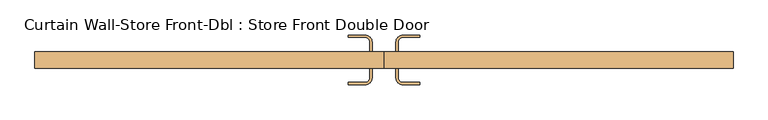
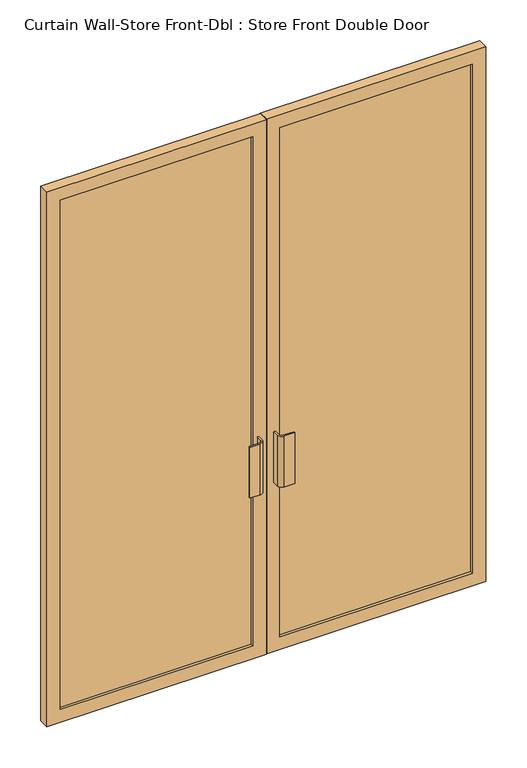
"""IFC4 building model written with IfcOpenShell, lengths in millimetres: door geometry, Curtain Wall-Store Front-Dbl : Store Front Double Door."""

from ifc_helpers import new_model, si_unit, point, frame, frame_2d, origin, place, context, project, spatial, polyline, circle_curve, trimmed, segment, composite_curve, outline, extrude, source, transform, mapped, element, save


def curtain_wall_store_front_dbl_store_front_double_door_1958645c(model_context):
    return source(origin(), model_context, "Body", "SweptSolid", [
        extrude(outline(composite_curve([segment(polyline([(-31.75, 12.7), (-31.75, -12.7), (-38.1, -12.7), (-38.1, 12.7)]), True, "CONTINUOUS"), segment(trimmed(circle_curve(frame_2d((-50.8, 12.7)), 12.7), [point((-38.1, 12.7))], [point((-50.8, 25.4))], True, "CARTESIAN"), True, "CONTINUOUS"), segment(polyline([(-50.8, 25.4), (-95.25, 25.4), (-95.25, 31.75), (-50.8, 31.75)]), True, "CONTINUOUS"), segment(trimmed(circle_curve(frame_2d((-50.8, 12.7)), 19.05), [point((-50.8, 31.75))], [point((-31.75, 12.7))], False, "CARTESIAN"), True, "CONTINUOUS")], self_intersect=False)), frame((0.0, 0.0, 762.0), z_axis=(0.0, 0.0, 1.0), x_axis=(1.0, 0.0, 0.0)), (0.0, 0.0, 1.0), 228.6),
        extrude(outline(composite_curve([segment(trimmed(circle_curve(frame_2d((50.8, 12.7)), 19.05), [point((31.75, 12.7))], [point((50.8, 31.75))], False, "CARTESIAN"), True, "CONTINUOUS"), segment(polyline([(50.8, 31.75), (95.25, 31.75), (95.25, 25.4), (50.8, 25.4)]), True, "CONTINUOUS"), segment(trimmed(circle_curve(frame_2d((50.8, 12.7)), 12.7), [point((50.8, 25.4))], [point((38.1, 12.7))], True, "CARTESIAN"), True, "CONTINUOUS"), segment(polyline([(38.1, 12.7), (38.1, -12.7), (31.75, -12.7), (31.75, 12.7)]), True, "CONTINUOUS")], self_intersect=False)), frame((0.0, 0.0, 762.0), z_axis=(0.0, 0.0, 1.0), x_axis=(1.0, 0.0, 0.0)), (0.0, 0.0, 1.0), 228.6),
        extrude(outline(composite_curve([segment(trimmed(circle_curve(frame_2d((-50.8, -82.55)), 19.05), [point((-31.75, -82.55))], [point((-50.8, -101.6))], False, "CARTESIAN"), True, "CONTINUOUS"), segment(polyline([(-50.8, -101.6), (-95.25, -101.6), (-95.25, -95.25), (-50.8, -95.25)]), True, "CONTINUOUS"), segment(trimmed(circle_curve(frame_2d((-50.8, -82.55)), 12.7), [point((-50.8, -95.25))], [point((-38.1, -82.55))], True, "CARTESIAN"), True, "CONTINUOUS"), segment(polyline([(-38.1, -82.55), (-38.1, -57.15), (-31.75, -57.15), (-31.75, -82.55)]), True, "CONTINUOUS")], self_intersect=False)), frame((0.0, 0.0, 762.0), z_axis=(0.0, 0.0, 1.0), x_axis=(1.0, 0.0, 0.0)), (0.0, 0.0, 1.0), 228.6),
        extrude(outline(composite_curve([segment(polyline([(31.75, -82.55), (31.75, -57.15), (38.1, -57.15), (38.1, -82.55)]), True, "CONTINUOUS"), segment(trimmed(circle_curve(frame_2d((50.8, -82.55)), 12.7), [point((38.1, -82.55))], [point((50.8, -95.25))], True, "CARTESIAN"), True, "CONTINUOUS"), segment(polyline([(50.8, -95.25), (95.25, -95.25), (95.25, -101.6), (50.8, -101.6)]), True, "CONTINUOUS"), segment(trimmed(circle_curve(frame_2d((50.8, -82.55)), 19.05), [point((50.8, -101.6))], [point((31.75, -82.55))], False, "CARTESIAN"), True, "CONTINUOUS")], self_intersect=False)), frame((0.0, 0.0, 762.0), z_axis=(0.0, 0.0, 1.0), x_axis=(1.0, 0.0, 0.0)), (0.0, 0.0, 1.0), 228.6),
        extrude(outline(polyline([(876.3, -25.4), (876.3, -44.45), (57.94375, -44.45), (57.94375, -25.4), (876.3, -25.4)])), frame((0.0, 0.0, 57.15), z_axis=(0.0, 0.0, 1.0), x_axis=(1.0, 0.0, 0.0)), (0.0, 0.0, 1.0), 2292.35),
        extrude(outline(polyline([(-57.94375, -25.4), (-57.94375, -44.45), (-876.3, -44.45), (-876.3, -25.4), (-57.94375, -25.4)])), frame((0.0, 0.0, 57.15), z_axis=(0.0, 0.0, 1.0), x_axis=(1.0, 0.0, 0.0)), (0.0, 0.0, 1.0), 2292.35),
        extrude(outline(polyline([(2406.65, 0.79375), (0.0, 0.79375), (0.0, 933.45), (2406.65, 933.45), (2406.65, 0.79375)]), holes=[polyline([(2349.5, 57.94375), (2349.5, 876.3), (57.15, 876.3), (57.15, 57.94375), (2349.5, 57.94375)])]), frame((0.0, -57.15, 0.0), z_axis=(0.0, 1.0, 0.0), x_axis=(0.0, 0.0, 1.0)), (0.0, 0.0, 1.0), 44.45),
        extrude(outline(polyline([(2406.65, -0.79375), (2406.65, -933.45), (0.0, -933.45), (0.0, -0.79375), (2406.65, -0.79375)]), holes=[polyline([(2349.5, -876.3), (2349.5, -57.94375), (57.15, -57.94375), (57.15, -876.3), (2349.5, -876.3)])]), frame((0.0, -57.15, 0.0), z_axis=(0.0, 1.0, 0.0), x_axis=(0.0, 0.0, 1.0)), (0.0, 0.0, 1.0), 44.45),
    ])


if __name__ == "__main__":
    model = new_model("IFC4")
    model_context = context("Model", 3, world=origin())
    ifc_project = project(units=[si_unit("LENGTHUNIT", "METRE", prefix="MILLI")], contexts=[model_context])
    site = spatial("IfcSite", under=ifc_project)
    building = spatial("IfcBuilding", under=site)
    placement = place(None, origin())
    curtain_wall_store_front_dbl_store_front_double_door_shape = curtain_wall_store_front_dbl_store_front_double_door_1958645c(model_context)
    element("IfcDoor", 1, ObjectType="Curtain Wall-Store Front-Dbl : Store Front Double Door", at=placement, inside=building, context=model_context, shape_type="MappedRepresentation", body=[
        mapped(curtain_wall_store_front_dbl_store_front_double_door_shape, transform((0.0, 0.0, 0.0), x_axis=(1.0, 0.0, 0.0), y_axis=(0.0, 1.0, 0.0), z_axis=(0.0, 0.0, 1.0))),
    ])
    save(model, "model.ifc")
